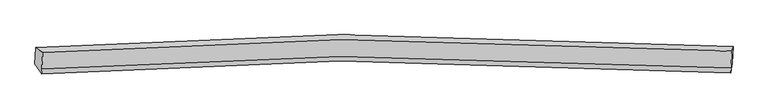
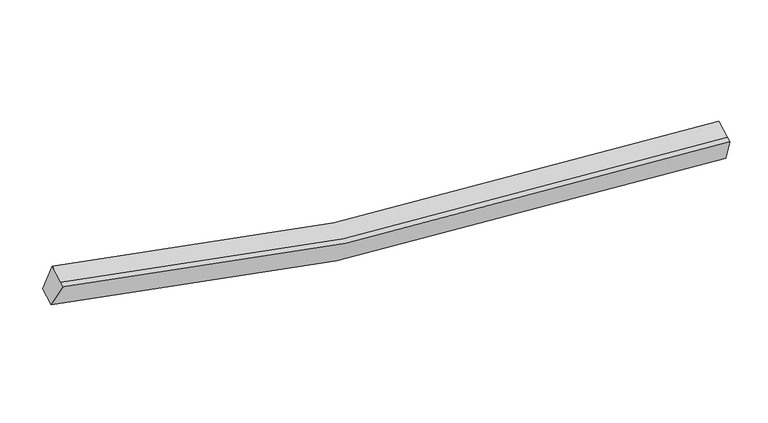
"""IFC4 building model written with IfcOpenShell, lengths in millimetres: proxy geometry."""

from ifc_helpers import new_model, si_unit, frame, origin, place, context, project, spatial, source, transform, mapped, element, save
from ifc_brep_helpers import plane_surface, spline_curve, spline_surface, advanced_brep


def generic_models_413ff05f(model_context):
    return source(origin(), model_context, "Body", "AdvancedBrep", [
        advanced_brep(
        [(-8587.519065, -1857.4607551, 4222.2744622), (-8399.6150269, -1983.4518065, 4901.5067263), (10195.902319, -1951.30839, 2634.6808314), (10228.7656123, -1826.030869, 1930.5759472), (-8422.1784485, -2438.9353128, 4714.3022806), (10173.3388974, -2406.7918964, 2447.4763856), (-8428.5862954, -2568.2893025, 4661.1375851), (10166.9310505, -2536.145886, 2394.3116901), (-8609.6189666, -2303.5872711, 4038.9157544), (10206.6657107, -2272.157385, 1747.2172394)],
        [
            (0, 1),
            (1, 2, spline_curve(3, [(-8399.6150269, -1983.4518065, 4901.5067263), (-5739.50408706, -1780.267716475, 4119.608970466), (-3052.749626786, -1664.206089253, 3535.336286923), (3128.870697236, -1598.277341311, 2654.481823114), (6640.622019211, -1703.62449618, 2483.145873629), (10195.902319, -1951.30839, 2634.6808314)], [4, 2, 4], [0.0, 27.248170913808377, 62.076351635204816])),
            (2, 3),
            (3, 0, spline_curve(3, [(10228.7656123, -1826.030869, 1930.5759472), (6631.33063506, -1575.676177303, 1777.623550969), (3077.911191748, -1469.081815929, 1950.947133081), (-3177.109501636, -1535.324951622, 2841.413343987), (-5895.784950685, -1652.395940914, 3431.989266131), (-8587.519065, -1857.4607551, 4222.2744622)], [4, 2, 4], [0.0, 34.828180721396436, 62.076351635204816])),
            (1, 4),
            (4, 5, spline_curve(3, [(-8422.1784485, -2438.9353128, 4714.3022806), (-5762.067508223, -2235.751223534, 3932.404524314), (-3075.313047997, -2119.689595831, 3348.131841394), (3106.30727514, -2053.760847255, 2467.277377195), (6618.058597806, -2159.108002319, 2295.941428672), (10173.3388974, -2406.7918964, 2447.4763856)], [4, 2, 4], [0.0, 27.08770964183953, 61.71079130551962])),
            (5, 2),
            (4, 6),
            (6, 7, spline_curve(3, [(-8428.5862954, -2568.2893025, 4661.1375851), (-5768.475355123, -2365.105213234, 3879.239828814), (-3081.720894997, -2249.043585531, 3294.967145894), (3099.89942814, -2183.114836955, 2414.112681695), (6611.650750906, -2288.461991919, 2242.776733172), (10166.9310505, -2536.145886, 2394.3116901)], [4, 2, 4], [0.0, 27.087709641839524, 61.71079130551961])),
            (7, 5),
            (6, 8),
            (8, 9, spline_curve(3, [(-8609.6189666, -2303.5872711, 4038.9157544), (-5917.884852285, -2098.522456914, 3248.630558331), (-3199.209403136, -1981.451467622, 2658.054636087), (3055.811290248, -1915.208331929, 1767.588425181), (6609.23073346, -2021.802693303, 1594.264843169), (10206.6657107, -2272.157385, 1747.2172394)], [4, 2, 4], [0.0, 27.24817091380837, 62.0763516352048])),
            (9, 7),
            (8, 0),
            (3, 9),
        ],
        [
            spline_surface(3, 3, [[(-8587.519065, -1857.4607551, 4222.2744622), (-5895.78495053, -1652.395940724, 3431.989265954), (-3177.109501501, -1535.32495143, 2841.413343799), (3077.911191575, -1469.081816175, 1950.947133321), (6631.330634992, -1575.676176744, 1777.623550486), (10228.7656123, -1826.030869, 1930.5759472)], [(-8524.884385633, -1899.457772236, 4448.685216906), (-5843.691329282, -1695.019866106, 3661.195834095), (-3135.656209957, -1578.285330754, 3072.720991669), (3094.89769347, -1512.146991144, 2185.458696439), (6634.427763102, -1618.325616616, 2012.797658322), (10217.811181199, -1867.79004267, 2165.277575247)], [(-8462.249706267, -1941.454789364, 4675.095971594), (-5791.597708035, -1737.64379148, 3890.402402217), (-3094.202918377, -1621.245710094, 3304.028639458), (3111.884195402, -1555.212166131, 2419.970259477), (6637.524891214, -1660.975056479, 2247.971766217), (10206.856750101, -1909.54921633, 2399.979203353)], [(-8399.6150269, -1983.4518065, 4901.5067263), (-5739.504086787, -1780.267716862, 4119.608970358), (-3052.749626833, -1664.206089418, 3535.336287328), (3128.870697297, -1598.2773411, 2654.481822595), (6640.622019324, -1703.624496352, 2483.145874053), (10195.902319, -1951.30839, 2634.6808314)]], [4, 4], [4, 2, 4], [0.0, 2.348798187070288], [0.0, 27.248170913808377, 62.076351635204816]),
            spline_surface(3, 3, [[(-8399.6150269, -1983.4518065, 4901.5067263), (-5739.504086787, -1780.267716862, 4119.608970358), (-3052.749626833, -1664.206089418, 3535.336287328), (3128.870697297, -1598.2773411, 2654.481822595), (6640.622019324, -1703.624496352, 2483.145874053), (10195.902319, -1951.30839, 2634.6808314)], [(-8407.136167432, -2135.279641944, 4839.105244388), (-5747.025227319, -1932.095552306, 4057.207488447), (-3060.270767365, -1816.033924862, 3472.934805417), (3121.349556765, -1750.105176544, 2592.080340683), (6633.100878793, -1855.452331796, 2420.744392141), (10188.381178468, -2103.136225444, 2572.279349488)], [(-8414.657307968, -2287.107477356, 4776.703762512), (-5754.546367856, -2083.923387718, 3994.80600657), (-3067.791907901, -1967.861760273, 3410.53332354), (3113.828416229, -1901.933011956, 2529.678858807), (6625.579738256, -2007.280167308, 2358.342910165), (10180.860037932, -2254.964060956, 2509.877867512)], [(-8422.1784485, -2438.9353128, 4714.3022806), (-5762.067508387, -2235.751223162, 3932.404524658), (-3075.313048433, -2119.689595718, 3348.131841628), (3106.307275697, -2053.7608474, 2467.277376895), (6618.058597724, -2159.108002752, 2295.941428253), (10173.3388974, -2406.7918964, 2447.4763856)]], [4, 4], [4, 2, 4], [0.0, 1.6173570277953908], [0.0, 27.08770964183953, 61.71079130551962]),
            spline_surface(3, 3, [[(-8422.1784485, -2438.9353128, 4714.3022806), (-5762.067508387, -2235.751223162, 3932.404524658), (-3075.313048433, -2119.689595718, 3348.131841628), (3106.307275697, -2053.7608474, 2467.277376895), (6618.058597724, -2159.108002752, 2295.941428253), (10173.3388974, -2406.7918964, 2447.4763856)], [(-8424.314397489, -2482.053309358, 4696.580715418), (-5764.203457376, -2278.86921972, 3914.682959476), (-3077.448997422, -2162.807592276, 3330.410276446), (3104.171326708, -2096.878843959, 2449.555811713), (6615.922648736, -2202.22599931, 2278.219863071), (10171.202948411, -2449.909892958, 2429.754820418)], [(-8426.450346411, -2525.171305942, 4678.859150282), (-5766.339406299, -2321.987216304, 3896.961394341), (-3079.584946445, -2205.925588859, 3312.688711311), (3102.035377686, -2139.996840542, 2431.834246577), (6613.786699813, -2245.343995794, 2260.498297935), (10169.066999489, -2493.027889442, 2412.033255282)], [(-8428.5862954, -2568.2893025, 4661.1375851), (-5768.475355287, -2365.105212862, 3879.239829158), (-3081.720895433, -2249.043585418, 3294.967146128), (3099.899428697, -2183.1148371, 2414.112681395), (6611.650750824, -2288.461992352, 2242.776732753), (10166.9310505, -2536.145886, 2394.3116901)]], [4, 4], [4, 2, 4], [0.0, 0.45931758530183686], [0.0, 27.087709641839524, 61.71079130551961]),
            spline_surface(3, 3, [[(-8428.5862954, -2568.2893025, 4661.1375851), (-5768.475355287, -2365.105212862, 3879.239829158), (-3081.720895433, -2249.043585418, 3294.967146128), (3099.899428697, -2183.1148371, 2414.112681395), (6611.650750824, -2288.461992352, 2242.776732753), (10166.9310505, -2536.145886, 2394.3116901)], [(-8488.930519109, -2480.055292021, 4453.730308217), (-5818.278520877, -2276.244294137, 3669.03673884), (-3120.883731319, -2159.846212751, 3082.662976081), (3085.20338246, -2093.812668787, 2198.6045961), (6610.844078372, -2199.575559136, 2026.606102739), (10180.175937259, -2448.149718987, 2178.613539876)], [(-8549.274742891, -2391.821281579, 4246.323031283), (-5868.08168654, -2187.383375449, 3458.833648472), (-3160.046567115, -2070.648840097, 2870.358805946), (3070.507336312, -2004.510500488, 1983.096510716), (6610.037405844, -2110.689125959, 1810.435472699), (10193.420823941, -2360.153552013, 1962.915389624)], [(-8609.6189666, -2303.5872711, 4038.9157544), (-5917.88485213, -2098.522456724, 3248.630558154), (-3199.209403001, -1981.45146743, 2658.054635899), (3055.811290075, -1915.208332175, 1767.588425421), (6609.230733392, -2021.802692744, 1594.264842686), (10206.6657107, -2272.157385, 1747.2172394)]], [4, 4], [4, 2, 4], [0.0, 2.2965744905979903], [0.0, 27.24817091380837, 62.0763516352048]),
            spline_surface(3, 3, [[(-8609.6189666, -2303.5872711, 4038.9157544), (-5917.88485213, -2098.522456724, 3248.630558154), (-3199.209403001, -1981.45146743, 2658.054635899), (3055.811290075, -1915.208332175, 1767.588425421), (6609.230733392, -2021.802692744, 1594.264842686), (10206.6657107, -2272.157385, 1747.2172394)], [(-8602.252332737, -2154.878432441, 4100.035323671), (-5910.518218267, -1949.813618065, 3309.750127425), (-3191.842769138, -1832.742628771, 2719.17420517), (3063.177923937, -1766.499493516, 1828.707994692), (6616.597367254, -1873.093854085, 1655.384411957), (10214.032344563, -2123.448546341, 1808.336808671)], [(-8594.885698863, -2006.169593759, 4161.154892929), (-5903.151584392, -1801.104779383, 3370.869696683), (-3184.476135364, -1684.033790089, 2780.293774528), (3070.544557712, -1617.790654834, 1889.82756405), (6623.964001129, -1724.385015403, 1716.503981215), (10221.398978437, -1974.739707659, 1869.456377929)], [(-8587.519065, -1857.4607551, 4222.2744622), (-5895.78495053, -1652.395940724, 3431.989265954), (-3177.109501501, -1535.32495143, 2841.413343799), (3077.911191575, -1469.081816175, 1950.947133321), (6631.330634992, -1575.676176744, 1777.623550486), (10228.7656123, -1826.030869, 1930.5759472)]], [4, 4], [4, 2, 4], [0.0, 1.5841316883493242], [0.0, 27.408632389850176, 62.44191242980578]),
            plane_surface(frame((10199.5661731, -2146.4106325, 2176.696427), z_axis=(0.9973379303705183, -0.06386697274062325, 0.035186111424818256), x_axis=(0.05676380039404104, 0.37712643005597174, -0.9244206438186372))),
            plane_surface(frame((-8506.3348385, -2178.1972838, 4455.958632), z_axis=(-0.9648946853984708, -0.05752494464130518, 0.25625988143640654), x_axis=(-0.04577033547041946, -0.923957069103425, -0.37974782533246215))),
        ],
        [
            (0, [[1, 2, 3, 4]]),
            (1, [[5, 6, 7, -2]]),
            (2, [[8, 9, 10, -6]]),
            (3, [[11, 12, 13, -9]]),
            (4, [[14, -4, 15, -12]]),
            (5, [[-13, -15, -3, -7, -10]]),
            (6, [[-14, -11, -8, -5, -1]]),
        ],
    ),
    ])


if __name__ == "__main__":
    model = new_model("IFC4")
    model_context = context("Model", 3, world=origin())
    ifc_project = project(units=[si_unit("LENGTHUNIT", "METRE", prefix="MILLI")], contexts=[model_context])
    site = spatial("IfcSite", under=ifc_project)
    building = spatial("IfcBuilding", under=site)
    placement = place(None, origin())
    generic_models_shape = generic_models_413ff05f(model_context)
    element("IfcBuildingElementProxy", 1, Name="Generic Models", at=placement, inside=building, context=model_context, shape_type="MappedRepresentation", body=[
        mapped(generic_models_shape, transform((0.0, 0.0, 0.0), x_axis=(1.0, 0.0, 0.0), y_axis=(0.0, 1.0, 0.0), z_axis=(0.0, 0.0, 1.0))),
    ])
    save(model, "model.ifc")
